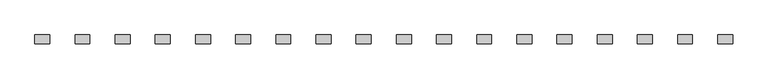
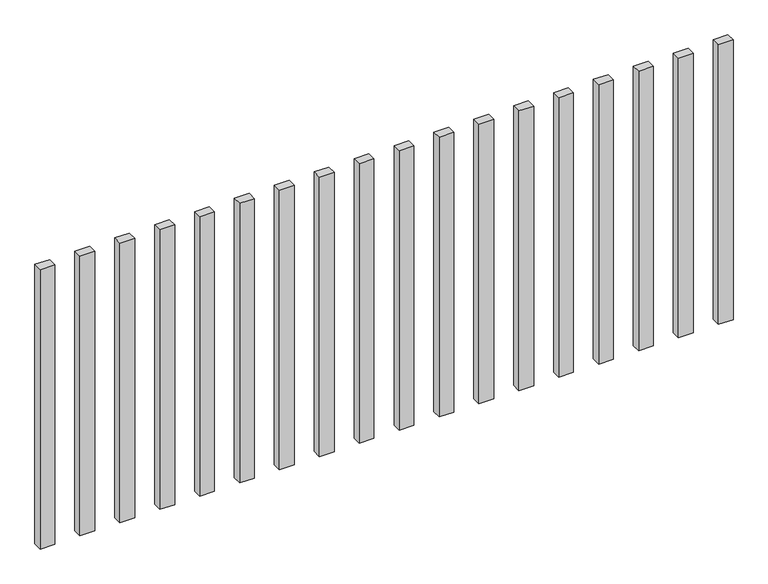
"""IFC4 building model written with IfcOpenShell, lengths in millimetres: railing geometry."""

import ifcopenshell
import ifcopenshell.guid

model = None  # the IFC model being written
_history = None  # IfcOwnerHistory: only IFC2X3 demands one
_inside = {}  # id of a spatial element -> (the spatial element, [elements in it])
_under = {}  # id of a project, library or spatial element -> (it, [spatial elements below it])
_declared = {}  # id of a project -> (the project, [libraries it declares])
_typed = {}  # id of a type object -> (the type object, [elements of that type])
_made_of = {}  # id of a material, layer set ... -> (it, [elements and type objects made of it])


def new_model(schema):
    """Start an empty IFC model of exactly this schema.

    Asked for "IFC4X3", IfcOpenShell would pick the latest addendum, in which some entities
    have other attributes; the version numbers below select the first issue.
    IFC2X3 requires an IfcOwnerHistory on every rooted entity: one is made here for all.
    """
    global model, _history
    if schema == "IFC4X3":
        model = ifcopenshell.file(schema_version=(4, 3, 0, 0))
    else:
        model = ifcopenshell.file(schema=schema)
    _inside.clear()
    _under.clear()
    _declared.clear()
    _typed.clear()
    _made_of.clear()
    _history = None
    if model.schema == "IFC2X3":
        org = make("IfcOrganization", Name="unknown")
        user = make(
            "IfcPersonAndOrganization",
            ThePerson=make("IfcPerson", FamilyName="unknown"),
            TheOrganization=org,
        )
        app = make(
            "IfcApplication",
            ApplicationDeveloper=org,
            Version="unknown",
            ApplicationFullName="unknown",
            ApplicationIdentifier="unknown",
        )
        _history = make(
            "IfcOwnerHistory",
            OwningUser=user,
            OwningApplication=app,
            ChangeAction="ADDED",
            CreationDate=0,
        )
    return model


def make(cls, **values):
    """One entity of the class cls with the attributes given. An attribute that is None is left unset."""
    return model.create_entity(
        cls, **{name: value for name, value in values.items() if value is not None}
    )


def rooted(cls, **values):
    """An entity with a GlobalId (a new one), such as an element, a storey or a relation."""
    return make(cls, GlobalId=ifcopenshell.guid.new(), OwnerHistory=_history, **values)


def si_unit(unit_type, name, prefix=None):
    """IfcSIUnit, for example si_unit("LENGTHUNIT", "METRE", prefix="MILLI")."""
    return make("IfcSIUnit", UnitType=unit_type, Prefix=prefix, Name=name)


def assignment(units):
    """IfcUnitAssignment: the units of a project."""
    return None if units is None else make("IfcUnitAssignment", Units=units)


def point(xyz):
    """IfcCartesianPoint."""
    return None if xyz is None else make("IfcCartesianPoint", Coordinates=xyz)


def direction(xyz):
    """IfcDirection."""
    return None if xyz is None else make("IfcDirection", DirectionRatios=xyz)


def frame(location, z_axis=None, x_axis=None):
    """IfcAxis2Placement3D, a coordinate frame: its origin and axes. An axis left out is left unset."""
    return make(
        "IfcAxis2Placement3D",
        Location=point(location),
        Axis=direction(z_axis),
        RefDirection=direction(x_axis),
    )


def origin():
    """The frame at (0, 0, 0) with its axes left unset."""
    return frame((0.0, 0.0, 0.0))


def origin_with_axes():
    """The frame at (0, 0, 0) with the z axis (0, 0, 1) and the x axis (1, 0, 0) written out."""
    return frame((0.0, 0.0, 0.0), z_axis=(0.0, 0.0, 1.0), x_axis=(1.0, 0.0, 0.0))


def place(relative_to, where):
    """IfcLocalPlacement: puts the frame where relative to a parent placement (None: the world)."""
    return make(
        "IfcLocalPlacement", PlacementRelTo=relative_to, RelativePlacement=where
    )


def context(
    kind, dimensions, precision=None, world=None, true_north=None, identifier=None
):
    """IfcGeometricRepresentationContext, for example the 3D "Model" context."""
    return make(
        "IfcGeometricRepresentationContext",
        ContextIdentifier=identifier,
        ContextType=kind,
        CoordinateSpaceDimension=dimensions,
        Precision=precision,
        WorldCoordinateSystem=world,
        TrueNorth=true_north,
    )


def project(units=None, contexts=None):
    """IfcProject with its units and contexts."""
    return rooted(
        "IfcProject",
        Name="project",
        RepresentationContexts=contexts,
        UnitsInContext=assignment(units),
    )


def spatial(cls, under=None, at=None, **own):
    """A site, building, storey or space (cls), placed at a placement, below another one or the project."""
    s = rooted(cls, ObjectPlacement=at, **own)
    if under is not None:
        _under.setdefault(under.id(), (under, []))[1].append(s)
    return s


def polyline(points):
    """IfcPolyline through the points."""
    return make("IfcPolyline", Points=[point(p) for p in points])


def outline(outer, holes=None, kind="AREA"):
    """IfcArbitraryClosedProfileDef: a profile drawn as a closed curve; with holes, ...WithVoids."""
    if holes is None:
        return make("IfcArbitraryClosedProfileDef", ProfileType=kind, OuterCurve=outer)
    return make(
        "IfcArbitraryProfileDefWithVoids",
        ProfileType=kind,
        OuterCurve=outer,
        InnerCurves=holes,
    )


def extrude(swept, where, along, depth):
    """IfcExtrudedAreaSolid: the profile swept, set in the frame where, extruded along a direction by depth."""
    return make(
        "IfcExtrudedAreaSolid",
        SweptArea=swept,
        Position=where,
        ExtrudedDirection=direction(along),
        Depth=depth,
    )


def shape(context_of_items, identifier, shape_type, items):
    """IfcShapeRepresentation: the items that make up one representation, for example the "Body"."""
    return make(
        "IfcShapeRepresentation",
        ContextOfItems=context_of_items,
        RepresentationIdentifier=identifier,
        RepresentationType=shape_type,
        Items=items,
    )


def source(mapping_origin, context_of_items, identifier, shape_type, items):
    """IfcRepresentationMap: a shape defined once, which mapped items show again and again."""
    return make(
        "IfcRepresentationMap",
        MappingOrigin=mapping_origin,
        MappedRepresentation=shape(context_of_items, identifier, shape_type, items),
    )


def transform(
    local_origin,
    x_axis=None,
    y_axis=None,
    z_axis=None,
    scale=None,
    scale2=None,
    scale3=None,
    uniform=True,
):
    """IfcCartesianTransformationOperator3D, or its non-uniform kind. x_axis, y_axis, z_axis: its Axis1, 2, 3."""
    if uniform:
        return make(
            "IfcCartesianTransformationOperator3D",
            Axis1=direction(x_axis),
            Axis2=direction(y_axis),
            LocalOrigin=point(local_origin),
            Scale=scale,
            Axis3=direction(z_axis),
        )
    return make(
        "IfcCartesianTransformationOperator3DnonUniform",
        Axis1=direction(x_axis),
        Axis2=direction(y_axis),
        LocalOrigin=point(local_origin),
        Scale=scale,
        Axis3=direction(z_axis),
        Scale2=scale2,
        Scale3=scale3,
    )


def mapped(mapping_source, mapping_target):
    """IfcMappedItem: shows the shape of a source again, moved by a transform."""
    return make(
        "IfcMappedItem", MappingSource=mapping_source, MappingTarget=mapping_target
    )


def made_of(thing, what):
    """Note that an element or type object is made of a material, layer set ...; save() writes the relation."""
    if what is not None:
        _made_of.setdefault(what.id(), (what, []))[1].append(thing)
    return thing


def element(
    cls,
    number,
    at=None,
    inside=None,
    cuts=None,
    type_object=None,
    material=None,
    context=None,
    identifier="Body",
    shape_type=None,
    held_by="IfcProductDefinitionShape",
    body=None,
    shapes=None,
    **own,
):
    """One element of the class cls, such as IfcWall. Its Tag is "e" and its number.

    at: its placement. inside: the storey or other place that contains it. cuts: it is an
    opening in that element (IfcRelVoidsElement). A single representation is given by context,
    identifier, shape_type and body (its items); several are given by shapes. held_by: the class
    of the entity that holds the representations. save() writes the other relations.
    """
    e = rooted(cls, Tag="e%d" % number, ObjectPlacement=at, **own)
    if body is not None:
        shapes = [shape(context, identifier, shape_type, body)]
    if shapes is not None:
        e.Representation = make(held_by, Representations=shapes)
    if inside is not None:
        _inside.setdefault(inside.id(), (inside, []))[1].append(e)
    if cuts is not None:
        rooted(
            "IfcRelVoidsElement", RelatingBuildingElement=cuts, RelatedOpeningElement=e
        )
    if type_object is not None:
        _typed.setdefault(type_object.id(), (type_object, []))[1].append(e)
    return made_of(e, material)


def aggregate(whole, parts):
    """IfcRelAggregates: a whole, such as a stair, and the parts it consists of."""
    return rooted("IfcRelAggregates", RelatingObject=whole, RelatedObjects=parts)


def save(model, path):
    """Write the relations noted so far, then the file.

    IfcRelAggregates (storeys below a building ...), IfcRelContainedInSpatialStructure (elements
    in a storey), IfcRelDefinesByType, IfcRelAssociatesMaterial and IfcRelDeclares: one each for
    every whole, place, type object, material and project.
    """
    for whole, parts in _under.values():
        aggregate(whole, parts)
    for where, things in _inside.values():
        rooted(
            "IfcRelContainedInSpatialStructure",
            RelatedElements=things,
            RelatingStructure=where,
        )
    for kind, things in _typed.values():
        rooted("IfcRelDefinesByType", RelatedObjects=things, RelatingType=kind)
    for what, things in _made_of.values():
        rooted("IfcRelAssociatesMaterial", RelatedObjects=things, RelatingMaterial=what)
    for by, libraries in _declared.values():
        rooted("IfcRelDeclares", RelatingContext=by, RelatedDefinitions=libraries)
    model.write(path)


def railing_65cd6d26(model_context):
    return source(origin(), model_context, "Body", "SweptSolid", [
        extrude(outline(polyline([(-1107.5700772, -99444.0267127), (-1107.5700772, -99414.0267127), (-1057.5700772, -99414.0267127), (-1057.5700772, -99444.0267127), (-1107.5700772, -99444.0267127)])), origin_with_axes(), (0.0, 0.0, 1.0), 1000.0),
        extrude(outline(polyline([(-1242.5700772, -99444.0267127), (-1242.5700772, -99414.0267127), (-1192.5700772, -99414.0267127), (-1192.5700772, -99444.0267127), (-1242.5700772, -99444.0267127)])), origin_with_axes(), (0.0, 0.0, 1.0), 1000.0),
        extrude(outline(polyline([(-1377.5700772, -99444.0267127), (-1377.5700772, -99414.0267127), (-1327.5700772, -99414.0267127), (-1327.5700772, -99444.0267127), (-1377.5700772, -99444.0267127)])), origin_with_axes(), (0.0, 0.0, 1.0), 1000.0),
        extrude(outline(polyline([(-1512.5700772, -99444.0267127), (-1512.5700772, -99414.0267127), (-1462.5700772, -99414.0267127), (-1462.5700772, -99444.0267127), (-1512.5700772, -99444.0267127)])), origin_with_axes(), (0.0, 0.0, 1.0), 1000.0),
        extrude(outline(polyline([(-1647.5700772, -99444.0267127), (-1647.5700772, -99414.0267127), (-1597.5700772, -99414.0267127), (-1597.5700772, -99444.0267127), (-1647.5700772, -99444.0267127)])), origin_with_axes(), (0.0, 0.0, 1.0), 1000.0),
        extrude(outline(polyline([(-1782.5700772, -99444.0267127), (-1782.5700772, -99414.0267127), (-1732.5700772, -99414.0267127), (-1732.5700772, -99444.0267127), (-1782.5700772, -99444.0267127)])), origin_with_axes(), (0.0, 0.0, 1.0), 1000.0),
        extrude(outline(polyline([(-1917.5700772, -99444.0267127), (-1917.5700772, -99414.0267127), (-1867.5700772, -99414.0267127), (-1867.5700772, -99444.0267127), (-1917.5700772, -99444.0267127)])), origin_with_axes(), (0.0, 0.0, 1.0), 1000.0),
        extrude(outline(polyline([(-2052.5700772, -99444.0267127), (-2052.5700772, -99414.0267127), (-2002.5700772, -99414.0267127), (-2002.5700772, -99444.0267127), (-2052.5700772, -99444.0267127)])), origin_with_axes(), (0.0, 0.0, 1.0), 1000.0),
        extrude(outline(polyline([(-2187.5700772, -99444.0267127), (-2187.5700772, -99414.0267127), (-2137.5700772, -99414.0267127), (-2137.5700772, -99444.0267127), (-2187.5700772, -99444.0267127)])), origin_with_axes(), (0.0, 0.0, 1.0), 1000.0),
        extrude(outline(polyline([(-2322.5700772, -99444.0267127), (-2322.5700772, -99414.0267127), (-2272.5700772, -99414.0267127), (-2272.5700772, -99444.0267127), (-2322.5700772, -99444.0267127)])), origin_with_axes(), (0.0, 0.0, 1.0), 1000.0),
        extrude(outline(polyline([(-2457.5700772, -99444.0267127), (-2457.5700772, -99414.0267127), (-2407.5700772, -99414.0267127), (-2407.5700772, -99444.0267127), (-2457.5700772, -99444.0267127)])), origin_with_axes(), (0.0, 0.0, 1.0), 1000.0),
        extrude(outline(polyline([(-2592.5700772, -99444.0267127), (-2592.5700772, -99414.0267127), (-2542.5700772, -99414.0267127), (-2542.5700772, -99444.0267127), (-2592.5700772, -99444.0267127)])), origin_with_axes(), (0.0, 0.0, 1.0), 1000.0),
        extrude(outline(polyline([(-2727.5700772, -99444.0267127), (-2727.5700772, -99414.0267127), (-2677.5700772, -99414.0267127), (-2677.5700772, -99444.0267127), (-2727.5700772, -99444.0267127)])), origin_with_axes(), (0.0, 0.0, 1.0), 1000.0),
        extrude(outline(polyline([(-2862.5700772, -99444.0267127), (-2862.5700772, -99414.0267127), (-2812.5700772, -99414.0267127), (-2812.5700772, -99444.0267127), (-2862.5700772, -99444.0267127)])), origin_with_axes(), (0.0, 0.0, 1.0), 1000.0),
        extrude(outline(polyline([(-2997.5700772, -99444.0267127), (-2997.5700772, -99414.0267127), (-2947.5700772, -99414.0267127), (-2947.5700772, -99444.0267127), (-2997.5700772, -99444.0267127)])), origin_with_axes(), (0.0, 0.0, 1.0), 1000.0),
        extrude(outline(polyline([(-3132.5700772, -99444.0267127), (-3132.5700772, -99414.0267127), (-3082.5700772, -99414.0267127), (-3082.5700772, -99444.0267127), (-3132.5700772, -99444.0267127)])), origin_with_axes(), (0.0, 0.0, 1.0), 1000.0),
        extrude(outline(polyline([(-3267.5700772, -99444.0267127), (-3267.5700772, -99414.0267127), (-3217.5700772, -99414.0267127), (-3217.5700772, -99444.0267127), (-3267.5700772, -99444.0267127)])), origin_with_axes(), (0.0, 0.0, 1.0), 1000.0),
        extrude(outline(polyline([(-3402.5700772, -99444.0267127), (-3402.5700772, -99414.0267127), (-3352.5700772, -99414.0267127), (-3352.5700772, -99444.0267127), (-3402.5700772, -99444.0267127)])), origin_with_axes(), (0.0, 0.0, 1.0), 1000.0),
    ])


if __name__ == "__main__":
    model = new_model("IFC4")
    model_context = context("Model", 3, world=origin())
    ifc_project = project(units=[si_unit("LENGTHUNIT", "METRE", prefix="MILLI")], contexts=[model_context])
    site = spatial("IfcSite", under=ifc_project)
    building = spatial("IfcBuilding", under=site)
    placement = place(None, origin())
    railing_shape = railing_65cd6d26(model_context)
    element("IfcRailing", 1, at=placement, inside=building, context=model_context, shape_type="MappedRepresentation", body=[
        mapped(railing_shape, transform((0.0, 0.0, 0.0), x_axis=(1.0, 0.0, 0.0), y_axis=(0.0, 1.0, 0.0), z_axis=(0.0, 0.0, 1.0))),
    ])
    save(model, "model.ifc")
